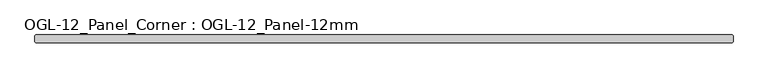
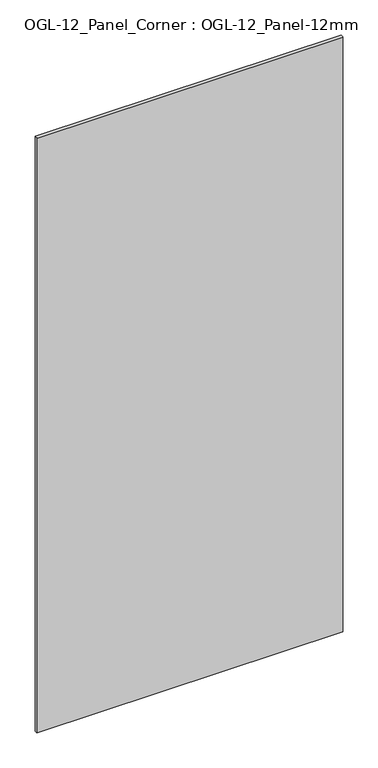
"""IFC4 building model written with IfcOpenShell, lengths in millimetres: plate geometry, OGL-12_Panel_Corner : OGL-12_Panel-12mm."""

from ifc_helpers import new_model, si_unit, origin, origin_with_axes, place, context, project, spatial, polyline, outline, extrude, source, transform, mapped, element, save


def ogl_12_panel_corner_ogl_12_panel_12mm_d71ee2b6(model_context):
    return source(origin(), model_context, "Body", "SweptSolid", [
        extrude(outline(polyline([(567.8173844, -6.35), (-567.8173844, -6.35), (-569.4048844, -4.7625), (-569.4048844, 4.7625), (-567.8173844, 6.35), (567.8173844, 6.35), (569.4048844, 4.7625), (569.4048844, -4.7625), (567.8173844, -6.35)])), origin_with_axes(), (0.0, 0.0, 1.0), 2339.914687),
    ])


if __name__ == "__main__":
    model = new_model("IFC4")
    model_context = context("Model", 3, world=origin())
    ifc_project = project(units=[si_unit("LENGTHUNIT", "METRE", prefix="MILLI")], contexts=[model_context])
    site = spatial("IfcSite", under=ifc_project)
    building = spatial("IfcBuilding", under=site)
    placement = place(None, origin())
    ogl_12_panel_corner_ogl_12_panel_12mm_shape = ogl_12_panel_corner_ogl_12_panel_12mm_d71ee2b6(model_context)
    element("IfcPlate", 1, ObjectType="OGL-12_Panel_Corner : OGL-12_Panel-12mm", at=placement, inside=building, context=model_context, shape_type="MappedRepresentation", body=[
        mapped(ogl_12_panel_corner_ogl_12_panel_12mm_shape, transform((0.0, 0.0, 0.0), x_axis=(1.0, 0.0, 0.0), y_axis=(0.0, 1.0, 0.0), z_axis=(0.0, 0.0, 1.0))),
    ])
    save(model, "model.ifc")
